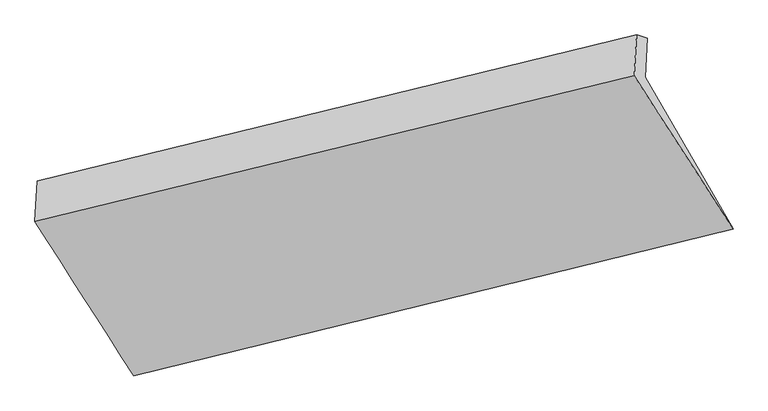
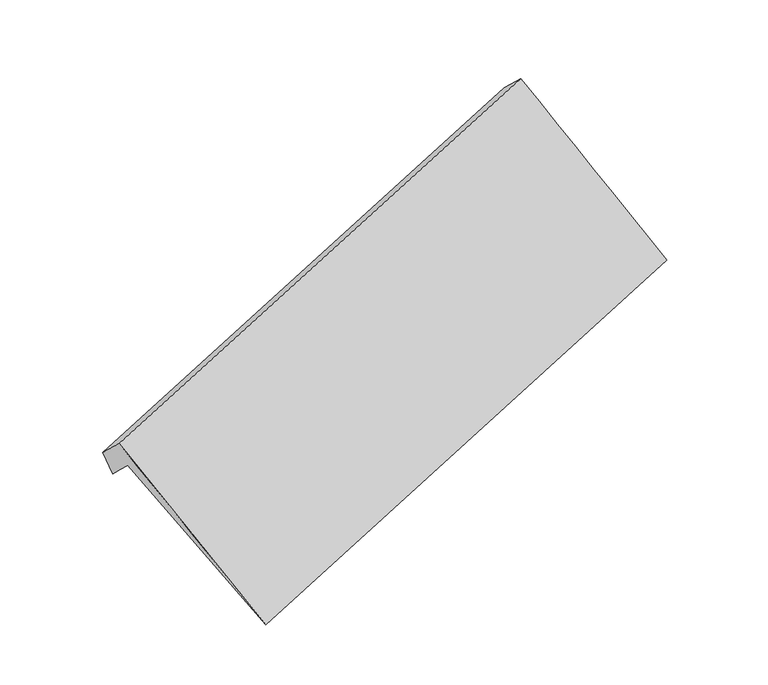
"""IFC4 building model written with IfcOpenShell, lengths in millimetres: proxy geometry."""

from ifc_helpers import new_model, si_unit, frame, origin, place, context, project, spatial, source, transform, mapped, element, save
from ifc_brep_helpers import plane_surface, spline_surface, advanced_brep


def generic_models_eed96f5f(model_context):
    return source(origin(), model_context, "Body", "AdvancedBrep", [
        advanced_brep(
        [(-5133.2490614, -1970.8221141, 1425.7246106), (-5125.272674, -1833.7063902, 1298.969965), (-754.8306112, -769.691779, 2733.5727157), (-763.0556885, -911.0825328, 2864.2793509), (-5117.2962865, -1696.5906663, 1172.2153193), (-746.6055339, -628.3010251, 2602.8660805), (-5196.0705096, -1671.9149873, 1394.4477499), (-825.3797569, -603.6253461, 2825.0985111), (-5213.1984822, -1966.3483235, 1666.6323844), (-842.7926751, -902.956956, 3101.8112838), (-4492.7462941, -3093.4715372, 307.265224), (-121.7335888, -2020.1315525, 1733.1612365)],
        [
            (0, 1),
            (1, 2),
            (2, 3),
            (3, 0),
            (1, 4),
            (4, 5),
            (5, 2),
            (4, 6),
            (6, 7),
            (7, 5),
            (6, 8),
            (8, 9),
            (9, 7),
            (8, 10),
            (10, 11),
            (11, 9),
            (10, 0),
            (3, 11),
        ],
        [
            plane_surface(frame((-5129.2608677, -1902.2642522, 1362.3472878), z_axis=(0.37576129318704765, -0.6407645076300068, -0.6694955536103827), x_axis=(0.042677621225717506, 0.7336369978771673, -0.678200100259718))),
            plane_surface(frame((-5121.2844803, -1765.1485283, 1235.5926422), z_axis=(0.37576129318704743, -0.6407645076300093, -0.6694955536103806), x_axis=(0.04267762122580748, 0.7336369978771871, -0.678200100259691))),
            plane_surface(frame((-5156.6833981, -1684.2528268, 1283.3315346), z_axis=(-0.18056836279245153, 0.9684876694037721, -0.1715421247720322), x_axis=(-0.3322845093734359, 0.10408666151528127, 0.9374182480222253))),
            plane_surface(frame((-5204.6344959, -1819.1316554, 1530.5400672), z_axis=(-0.37576129318704754, 0.6407645076300076, 0.6694955536103819), x_axis=(-0.04267762122575976, -0.7336369978771768, 0.678200100259705))),
            spline_surface(1, 1, [[(-5213.1984822, -1966.3483235, 1666.6323844), (-842.7926751, -902.956956, 3101.8112838)], [(-4492.7462941, -3093.4715372, 307.265224), (-121.7335888, -2020.1315525, 1733.1612365)]], [2, 2], [2, 2], [0.0, 1.0], [0.0, 1.0]),
            spline_surface(1, 1, [[(-4492.7462941, -3093.4715372, 307.265224), (-121.7335888, -2020.1315525, 1733.1612365)], [(-5133.2490614, -1970.8221141, 1425.7246106), (-763.0556885, -911.0825328, 2864.2793509)]], [2, 2], [2, 2], [0.0, 1.0], [0.0, 1.0]),
            plane_surface(frame((-659.9134486, -1013.2194825, 2625.4432925), z_axis=(0.9257332613603706, 0.22626886906389404, 0.30301869200370796), x_axis=(0.37787494387405035, -0.5854614357501811, -0.7172485162351471))),
            plane_surface(frame((-5030.5121268, -2079.8295257, 1193.2570576), z_axis=(-0.9257332613603694, -0.22626886906389848, -0.3030186920037088), x_axis=(0.3747272887784321, -0.6568080514570229, -0.654356663132572))),
        ],
        [
            (0, [[1, 2, 3, 4]]),
            (1, [[5, 6, 7, -2]]),
            (2, [[8, 9, 10, -6]]),
            (3, [[11, 12, 13, -9]]),
            (4, [[14, 15, 16, -12]]),
            (5, [[17, -4, 18, -15]]),
            (6, [[-16, -18, -3, -7, -10, -13]]),
            (7, [[-17, -14, -11, -8, -5, -1]]),
        ],
    ),
    ])


if __name__ == "__main__":
    model = new_model("IFC4")
    model_context = context("Model", 3, world=origin())
    ifc_project = project(units=[si_unit("LENGTHUNIT", "METRE", prefix="MILLI")], contexts=[model_context])
    site = spatial("IfcSite", under=ifc_project)
    building = spatial("IfcBuilding", under=site)
    placement = place(None, origin())
    generic_models_shape = generic_models_eed96f5f(model_context)
    element("IfcBuildingElementProxy", 1, Name="Generic Models", at=placement, inside=building, context=model_context, shape_type="MappedRepresentation", body=[
        mapped(generic_models_shape, transform((0.0, 0.0, 0.0), x_axis=(1.0, 0.0, 0.0), y_axis=(0.0, 1.0, 0.0), z_axis=(0.0, 0.0, 1.0))),
    ])
    save(model, "model.ifc")
